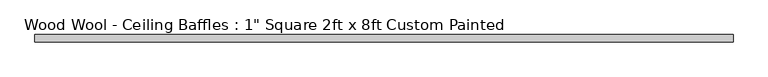
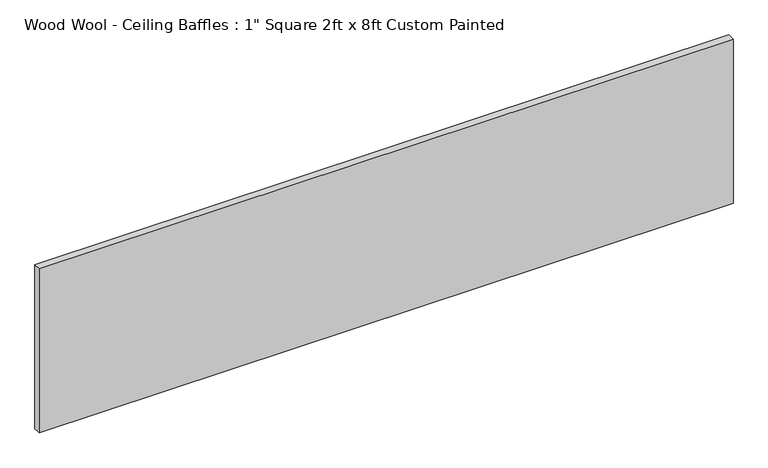
"""IFC4 building model written with IfcOpenShell, lengths in millimetres: proxy geometry."""

from ifc_helpers import new_model, si_unit, origin, origin_with_axes, place, context, project, spatial, polyline, outline, extrude, source, transform, mapped, element, save


def proxy_a799cafa(model_context):
    return source(origin(), model_context, "Body", "SweptSolid", [
        extrude(outline(polyline([(1219.2, -25.4), (-1219.2, -25.4), (-1219.2, 0.0), (1219.2, 0.0), (1219.2, -25.4)])), origin_with_axes(), (0.0, 0.0, 1.0), 609.6),
    ])


if __name__ == "__main__":
    model = new_model("IFC4")
    model_context = context("Model", 3, world=origin())
    ifc_project = project(units=[si_unit("LENGTHUNIT", "METRE", prefix="MILLI")], contexts=[model_context])
    site = spatial("IfcSite", under=ifc_project)
    building = spatial("IfcBuilding", under=site)
    placement = place(None, origin())
    proxy_shape = proxy_a799cafa(model_context)
    element("IfcBuildingElementProxy", 1, Name="Wood Wool - Ceiling Baffles : 1\" Square 2ft x 8ft Custom Painted", ObjectType="Wood Wool - Ceiling Baffles : 1\" Square 2ft x 8ft Custom Painted", at=placement, inside=building, context=model_context, shape_type="MappedRepresentation", body=[
        mapped(proxy_shape, transform((0.0, 0.0, 0.0), x_axis=(1.0, 0.0, 0.0), y_axis=(0.0, 1.0, 0.0), z_axis=(0.0, 0.0, 1.0))),
    ])
    save(model, "model.ifc")
